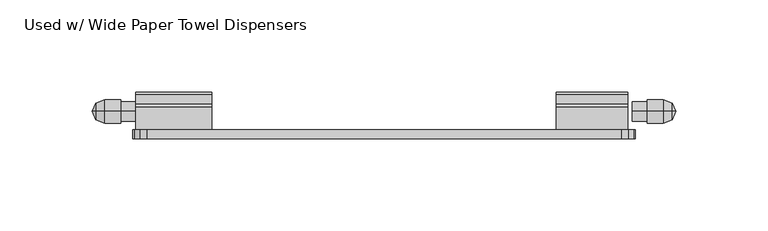
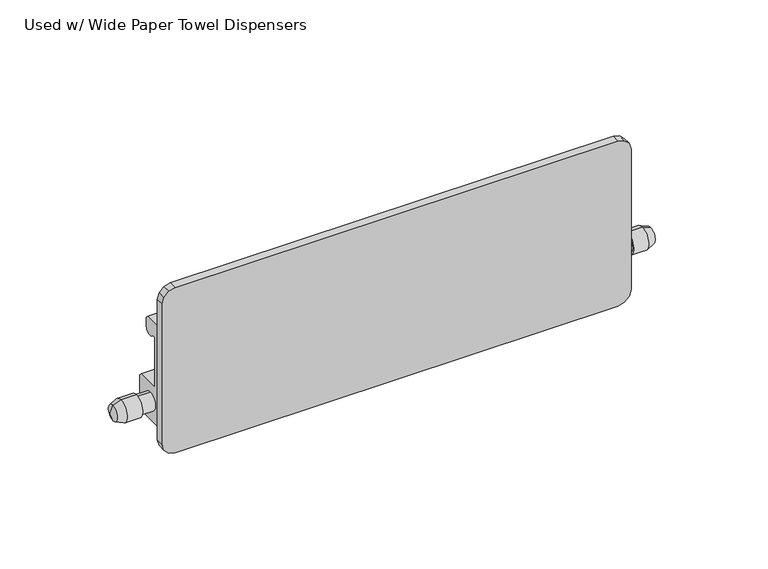
"""IFC4 building model written with IfcOpenShell, lengths in millimetres: furniture geometry, Used w/ Wide Paper Towel Dispensers."""

from ifc_helpers import new_model, si_unit, frame, origin, place, context, project, spatial, polyline, circle_curve, outline, extrude, source, transform, mapped, element, save
from ifc_brep_helpers import plane_surface, cylinder_surface, revolved_surface, advanced_brep


def used_w_wide_paper_towel_dispensers_fe75e9ab(model_context):
    return source(origin(), model_context, "Body", "SolidModel", [
        advanced_brep(
        [(413.0600084, -1179.0028827, 1290.4364176), (413.0600084, -1179.0028827, 1299.5903692), (411.0665981, -1179.0028827, 1295.0133934), (434.6852691, -1179.0028827, 1295.0133934), (434.6852691, -1179.0028827, 1300.3762088), (434.6852691, -1179.0028827, 1289.650578), (426.6230069, -1179.0028827, 1300.3762088), (426.6230069, -1179.0028827, 1289.650578), (426.6230069, -1179.0028827, 1301.4862155), (426.6230069, -1179.0028827, 1288.5405713), (417.8725235, -1179.0028827, 1301.4862155), (417.8725235, -1179.0028827, 1288.5405713)],
        [
            (0, 1, circle_curve(frame((413.0600084, -1179.0028827, 1295.0133934), z_axis=(-1.0, 0.0, 0.0), x_axis=(0.0, 0.0, 1.0)), 4.5769758)),
            (1, 2),
            (2, 0),
            (1, 0, circle_curve(frame((413.0600084, -1179.0028827, 1295.0133934), z_axis=(-1.0, 0.0, 0.0), x_axis=(0.0, 0.0, 1.0)), 4.5769758)),
            (3, 4),
            (4, 5, circle_curve(frame((434.6852691, -1179.0028827, 1295.0133934), z_axis=(1.0, 0.0, 0.0), x_axis=(0.0, 0.0, 1.0)), 5.3628154)),
            (5, 3),
            (5, 4, circle_curve(frame((434.6852691, -1179.0028827, 1295.0133934), z_axis=(1.0, 0.0, 0.0), x_axis=(0.0, 0.0, 1.0)), 5.3628154)),
            (4, 6),
            (6, 7, circle_curve(frame((426.6230069, -1179.0028827, 1295.0133934), z_axis=(1.0, 0.0, 0.0), x_axis=(0.0, 0.0, 1.0)), 5.3628154)),
            (7, 5),
            (7, 6, circle_curve(frame((426.6230069, -1179.0028827, 1295.0133934), z_axis=(1.0, 0.0, 0.0), x_axis=(0.0, 0.0, 1.0)), 5.3628154)),
            (6, 8),
            (8, 9, circle_curve(frame((426.6230069, -1179.0028827, 1295.0133934), z_axis=(1.0, 0.0, 0.0), x_axis=(0.0, 0.0, 1.0)), 6.4728221)),
            (9, 7),
            (9, 8, circle_curve(frame((426.6230069, -1179.0028827, 1295.0133934), z_axis=(1.0, 0.0, 0.0), x_axis=(0.0, 0.0, 1.0)), 6.4728221)),
            (8, 10),
            (10, 11, circle_curve(frame((417.8725235, -1179.0028827, 1295.0133934), z_axis=(1.0, 0.0, 0.0), x_axis=(0.0, 0.0, 1.0)), 6.4728221)),
            (11, 9),
            (11, 10, circle_curve(frame((417.8725235, -1179.0028827, 1295.0133934), z_axis=(1.0, 0.0, 0.0), x_axis=(0.0, 0.0, 1.0)), 6.4728221)),
            (10, 1),
            (0, 11),
        ],
        [
            revolved_surface(polyline([(411.0665981, -1179.0028827, 1295.0133934), (413.0600084, -1179.0028827, 1299.5903692)]), (434.6852691, -1179.0028827, 1295.0133934), (1.0, 0.0, 0.0)),
            plane_surface(frame((434.6852691, -1179.0028827, 1295.0133934), z_axis=(1.0, 0.0, 0.0), x_axis=(0.0, 0.0, 1.0))),
            cylinder_surface(frame((434.6852691, -1179.0028827, 1295.0133934), z_axis=(1.0, 0.0, 0.0), x_axis=(0.0, 0.0, 1.0)), 5.3628154),
            plane_surface(frame((426.6230069, -1179.0028827, 1295.0133934), z_axis=(1.0, 0.0, 0.0), x_axis=(0.0, 0.0, 1.0))),
            cylinder_surface(frame((434.6852691, -1179.0028827, 1295.0133934), z_axis=(1.0, 0.0, 0.0), x_axis=(0.0, 0.0, 1.0)), 6.4728221),
            revolved_surface(polyline([(413.0600084, -1179.0028827, 1299.5903692), (417.8725235, -1179.0028827, 1301.4862155)]), (434.6852691, -1179.0028827, 1295.0133934), (1.0, 0.0, 0.0)),
        ],
        [
            (0, [[1, 2, 3]]),
            (0, [[4, -3, -2]]),
            (1, [[5, 6, 7]]),
            (1, [[-7, 8, -5]]),
            (2, [[-6, 9, 10, 11]]),
            (2, [[-8, -11, 12, -9]]),
            (3, [[-10, 13, 14, 15]]),
            (3, [[-12, -15, 16, -13]]),
            (4, [[-14, 17, 18, 19]]),
            (4, [[-16, -19, 20, -17]]),
            (5, [[-18, 21, -1, 22]]),
            (5, [[-20, -22, -4, -21]]),
        ],
    ),
        advanced_brep(
        [(728.1519667, -1179.0028827, 1295.0133934), (726.1585564, -1179.0028827, 1299.5903692), (726.1585564, -1179.0028827, 1290.4364176), (704.5332957, -1179.0028827, 1289.650578), (704.5332957, -1179.0028827, 1300.3762088), (704.5332957, -1179.0028827, 1295.0133934), (712.5955579, -1179.0028827, 1289.650578), (712.5955579, -1179.0028827, 1300.3762088), (712.5955579, -1179.0028827, 1288.5405713), (712.5955579, -1179.0028827, 1301.4862155), (721.3460413, -1179.0028827, 1288.5405713), (721.3460413, -1179.0028827, 1301.4862155)],
        [
            (0, 1),
            (1, 2, circle_curve(frame((726.1585564, -1179.0028827, 1295.0133934), z_axis=(1.0, 0.0, 0.0), x_axis=(0.0, 0.0, 1.0)), 4.5769758)),
            (2, 0),
            (2, 1, circle_curve(frame((726.1585564, -1179.0028827, 1295.0133934), z_axis=(1.0, 0.0, 0.0), x_axis=(0.0, 0.0, 1.0)), 4.5769758)),
            (3, 4, circle_curve(frame((704.5332957, -1179.0028827, 1295.0133934), z_axis=(-1.0, 0.0, 0.0), x_axis=(0.0, 0.0, 1.0)), 5.3628154)),
            (4, 5),
            (5, 3),
            (4, 3, circle_curve(frame((704.5332957, -1179.0028827, 1295.0133934), z_axis=(-1.0, 0.0, 0.0), x_axis=(0.0, 0.0, 1.0)), 5.3628154)),
            (6, 7, circle_curve(frame((712.5955579, -1179.0028827, 1295.0133934), z_axis=(-1.0, 0.0, 0.0), x_axis=(0.0, 0.0, 1.0)), 5.3628154)),
            (7, 4),
            (3, 6),
            (7, 6, circle_curve(frame((712.5955579, -1179.0028827, 1295.0133934), z_axis=(-1.0, 0.0, 0.0), x_axis=(0.0, 0.0, 1.0)), 5.3628154)),
            (8, 9, circle_curve(frame((712.5955579, -1179.0028827, 1295.0133934), z_axis=(-1.0, 0.0, 0.0), x_axis=(0.0, 0.0, 1.0)), 6.4728221)),
            (9, 7),
            (6, 8),
            (9, 8, circle_curve(frame((712.5955579, -1179.0028827, 1295.0133934), z_axis=(-1.0, 0.0, 0.0), x_axis=(0.0, 0.0, 1.0)), 6.4728221)),
            (10, 11, circle_curve(frame((721.3460413, -1179.0028827, 1295.0133934), z_axis=(-1.0, 0.0, 0.0), x_axis=(0.0, 0.0, 1.0)), 6.4728221)),
            (11, 9),
            (8, 10),
            (11, 10, circle_curve(frame((721.3460413, -1179.0028827, 1295.0133934), z_axis=(-1.0, 0.0, 0.0), x_axis=(0.0, 0.0, 1.0)), 6.4728221)),
            (1, 11),
            (10, 2),
        ],
        [
            revolved_surface(polyline([(726.1585564, -1179.0028827, 1299.5903692), (728.1519667, -1179.0028827, 1295.0133934)]), (704.5332957, -1179.0028827, 1295.0133934), (1.0, 0.0, 0.0)),
            plane_surface(frame((704.5332957, -1179.0028827, 1295.0133934), z_axis=(-1.0, 0.0, 0.0), x_axis=(0.0, 0.0, 1.0))),
            cylinder_surface(frame((704.5332957, -1179.0028827, 1295.0133934), z_axis=(1.0, 0.0, 0.0), x_axis=(0.0, 0.0, 1.0)), 5.3628154),
            plane_surface(frame((712.5955579, -1179.0028827, 1295.0133934), z_axis=(-1.0, 0.0, 0.0), x_axis=(0.0, 0.0, 1.0))),
            cylinder_surface(frame((704.5332957, -1179.0028827, 1295.0133934), z_axis=(1.0, 0.0, 0.0), x_axis=(0.0, 0.0, 1.0)), 6.4728221),
            revolved_surface(polyline([(721.3460413, -1179.0028827, 1301.4862155), (726.1585564, -1179.0028827, 1299.5903692)]), (704.5332957, -1179.0028827, 1295.0133934), (1.0, 0.0, 0.0)),
        ],
        [
            (0, [[1, 2, 3]]),
            (0, [[-3, 4, -1]]),
            (1, [[5, 6, 7]]),
            (1, [[8, -7, -6]]),
            (2, [[9, 10, -5, 11]]),
            (2, [[12, -11, -8, -10]]),
            (3, [[13, 14, -9, 15]]),
            (3, [[16, -15, -12, -14]]),
            (4, [[17, 18, -13, 19]]),
            (4, [[20, -19, -16, -18]]),
            (5, [[-2, 21, -17, 22]]),
            (5, [[-4, -22, -20, -21]]),
        ],
    ),
        extrude(outline(polyline([(-1189.0551179, 1345.5898717), (-1176.6152827, 1345.5898717), (-1175.0404828, 1344.0150717), (-1175.0404828, 1339.265272), (-1175.8231929, 1336.9009144), (-1177.8620988, 1335.4706406), (-1180.3516929, 1335.5395068), (-1182.3084145, 1337.0803062), (-1183.7526827, 1336.6461143), (-1183.7526827, 1306.9117042), (-1183.1573702, 1306.3163917), (-1170.0811329, 1306.3163917), (-1168.506333, 1304.7415923), (-1168.506333, 1285.3156705), (-1170.0811329, 1283.7408711), (-1187.7341331, 1283.7408711), (-1189.0551179, 1285.0618558), (-1189.0551179, 1345.5898717)])), frame((434.6852691, 0.0, 0.0), z_axis=(1.0, 0.0, 0.0), x_axis=(0.0, 1.0, 0.0)), (0.0, 0.0, 1.0), 41.2749879),
        extrude(outline(polyline([(-1189.0551179, 1345.5898717), (-1176.6152827, 1345.5898717), (-1175.0404828, 1344.0150717), (-1175.0404828, 1339.265272), (-1175.8231929, 1336.9009144), (-1177.8620988, 1335.4706406), (-1180.3516929, 1335.5395068), (-1182.3084145, 1337.0803062), (-1183.7526827, 1336.6461143), (-1183.7526827, 1306.9117042), (-1183.1573702, 1306.3163917), (-1170.0811329, 1306.3163917), (-1168.506333, 1304.7415923), (-1168.506333, 1285.3156705), (-1170.0811329, 1283.7408711), (-1187.7341331, 1283.7408711), (-1189.0551179, 1285.0618558), (-1189.0551179, 1345.5898717)])), frame((663.2583078, 0.0, 0.0), z_axis=(1.0, 0.0, 0.0), x_axis=(0.0, 1.0, 0.0)), (0.0, 0.0, 1.0), 38.7349865),
        extrude(outline(polyline([(1277.6199927, 433.0842881), (1273.8099964, 434.1051742), (1271.0208861, 436.8942879), (1270.0, 440.7042876), (1270.0, 698.5142953), (1271.0208861, 702.3242917), (1273.8099964, 705.113402), (1277.6199927, 706.1342881), (1363.9799982, 706.1342881), (1367.7899991, 705.113402), (1370.5791116, 702.3242917), (1371.6, 698.5142953), (1371.6, 440.7042876), (1370.5791116, 436.8942879), (1367.7899991, 434.1051742), (1363.9799982, 433.0842881), (1277.6199927, 433.0842881)])), frame((0.0, -1193.9065182, 0.0), z_axis=(0.0, 1.0, 0.0), x_axis=(0.0, 0.0, 1.0)), (0.0, 0.0, 1.0), 4.8514004),
    ])


if __name__ == "__main__":
    model = new_model("IFC4")
    model_context = context("Model", 3, world=origin())
    ifc_project = project(units=[si_unit("LENGTHUNIT", "METRE", prefix="MILLI")], contexts=[model_context])
    site = spatial("IfcSite", under=ifc_project)
    building = spatial("IfcBuilding", under=site)
    placement = place(None, origin())
    used_w_wide_paper_towel_dispensers_shape = used_w_wide_paper_towel_dispensers_fe75e9ab(model_context)
    element("IfcFurniture", 1, ObjectType="Used w/ Wide Paper Towel Dispensers", at=placement, inside=building, context=model_context, shape_type="MappedRepresentation", body=[
        mapped(used_w_wide_paper_towel_dispensers_shape, transform((0.0, 0.0, 0.0), x_axis=(1.0, 0.0, 0.0), y_axis=(0.0, 1.0, 0.0), z_axis=(0.0, 0.0, 1.0))),
    ])
    save(model, "model.ifc")
